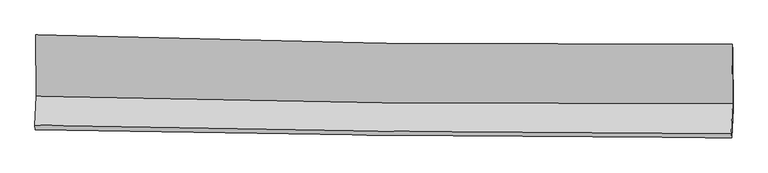
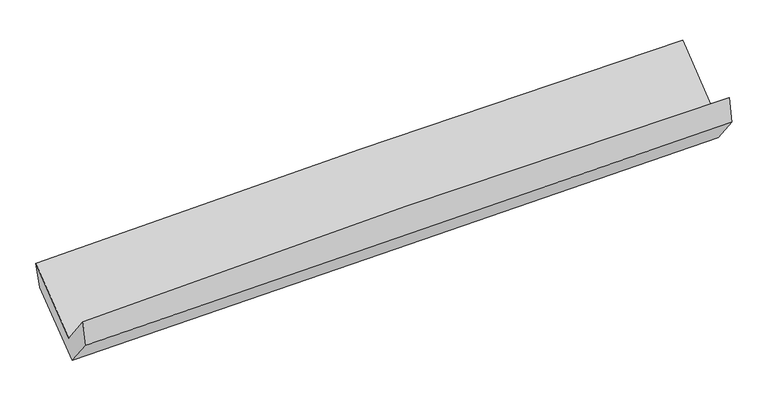
"""IFC4 building model written with IfcOpenShell, lengths in millimetres: proxy geometry."""

from ifc_helpers import new_model, si_unit, frame, origin, place, context, project, spatial, source, transform, mapped, element, save
from ifc_brep_helpers import plane_surface, spline_curve, spline_surface, advanced_brep


def generic_models_0dae5884(model_context):
    return source(origin(), model_context, "Body", "AdvancedBrep", [
        advanced_brep(
        [(-3029.8925563, -1148.1421905, 2158.9520962), (-3025.3381777, -1679.1367206, 1731.4609906), (3016.4916445, -1743.4858455, 1901.8355005), (3012.8685716, -1229.3978898, 2315.7444589), (-3037.10449, -1931.2554923, 2053.7106642), (3004.7901196, -2007.4736318, 2215.7293001), (-3031.9796502, -1971.8012108, 1840.9345881), (3010.1807027, -2039.3981974, 1989.5119002), (-3020.8377574, -1728.9501386, 1537.7666713), (3021.4594914, -1793.4279514, 1682.4500417), (-3025.0214248, -1204.5101242, 1948.1220275), (3018.101335, -1273.9923407, 2088.9183063)],
        [
            (0, 1),
            (1, 2, spline_curve(3, [(-3025.3381777, -1679.1367206, 1731.4609906), (-2019.305481825, -1707.227003356, 1793.054520719), (-1012.723859017, -1726.634048525, 1838.048783605), (1001.21976136, -1748.078283379, 1894.829823359), (2008.581412168, -1750.120946245, 1906.627063853), (3016.4916445, -1743.4858455, 1901.8355005)], [4, 2, 4], [0.0, 9.91978465990406, 19.83644227758947])),
            (2, 3),
            (3, 0, spline_curve(3, [(3012.8685716, -1229.3978898, 2315.7444589), (2004.848918207, -1236.139920542, 2320.445876199), (997.354963636, -1232.742293686, 2309.73504434), (-1016.899077228, -1205.663456571, 2257.480645009), (-2023.658832021, -1181.975850018, 2215.927355832), (-3029.8925563, -1148.1421905, 2158.9520962)], [4, 2, 4], [0.0, 9.91665761768541, 19.83644227758947])),
            (1, 4),
            (4, 5, spline_curve(3, [(-3037.10449, -1931.2554923, 2053.7106642), (-2030.890020049, -1953.330288035, 2111.538372535), (-1024.212123668, -1970.719460276, 2153.953478734), (989.753038615, -1996.122553348, 2207.949975189), (1997.040011957, -2004.139427424, 2219.54108072), (3004.7901196, -2007.4736318, 2215.7293001)], [4, 2, 4], [0.0, 9.91889068763266, 19.834654614856113])),
            (5, 2),
            (4, 6),
            (6, 7, spline_curve(3, [(-3031.9796502, -1971.8012108, 1840.9345881), (-2025.126377195, -1991.366337871, 1874.135352284), (-1018.106977305, -2006.782218042, 1903.118464175), (995.946578518, -2029.311931145, 1952.641576538), (2002.980629382, -2036.428380285, 1973.184235179), (3010.1807027, -2039.3981974, 1989.5119002)], [4, 2, 4], [0.0, 9.917661758443915, 19.832197143877504])),
            (7, 5),
            (6, 8),
            (8, 9, spline_curve(3, [(-3020.8377574, -1728.9501386, 1537.7666713), (-2013.818577442, -1744.872761013, 1566.420230517), (-1006.704825166, -1758.207662344, 1592.805500463), (1007.394317193, -1779.698635391, 1641.031860872), (2014.379648107, -1787.856338465, 1662.87438085), (3021.4594914, -1793.4279514, 1682.4500417)], [4, 2, 4], [0.0, 9.916991724730158, 19.830857287666642])),
            (9, 7),
            (8, 10),
            (10, 11, spline_curve(3, [(-3025.0214248, -1204.5101242, 1948.1220275), (-2017.855482772, -1219.780188992, 1977.291738563), (-1010.599547138, -1233.206028067, 2003.611017493), (1003.774762986, -1256.365604627, 2050.541313555), (2010.893080485, -1266.100504237, 2071.154127372), (3018.101335, -1273.9923407, 2088.9183063)], [4, 2, 4], [0.0, 9.917585104175053, 19.832043859503727])),
            (11, 9),
            (10, 0),
            (3, 11),
        ],
        [
            spline_surface(3, 3, [[(-3029.8925563, -1148.1421905, 2158.9520962), (-2023.658831981, -1181.975850104, 2215.927355887), (-1016.899077242, -1205.663456445, 2257.480644976), (997.35496365, -1232.742293812, 2309.735044373), (2004.848918211, -1236.139920575, 2320.445876207), (3012.8685716, -1229.3978898, 2315.7444589)], [(-3028.374430111, -1325.140367211, 2016.455060993), (-2022.207715314, -1357.059567878, 2074.969744194), (-1015.507337812, -1379.320320507, 2117.670024529), (998.643229488, -1404.520956981, 2171.433304022), (2006.093082882, -1407.466929192, 2182.50627208), (3014.076262578, -1400.76054172, 2177.774806106)], [(-3026.856303889, -1502.138543889, 1873.958025807), (-2020.756598613, -1532.14328562, 1934.012132523), (-1014.115598316, -1552.977184546, 1977.859404088), (999.931495391, -1576.299620126, 2033.131563675), (2007.337247519, -1578.793937748, 2044.566667935), (3015.283953522, -1572.12319358, 2039.805153294)], [(-3025.3381777, -1679.1367206, 1731.4609906), (-2019.305481946, -1707.227003394, 1793.05452083), (-1012.723858886, -1726.634048608, 1838.048783641), (1001.219761229, -1748.078283295, 1894.829823323), (2008.58141219, -1750.120946366, 1906.627063808), (3016.4916445, -1743.4858455, 1901.8355005)]], [4, 4], [4, 2, 4], [0.0, 2.182511023829231], [0.0, 9.91978465990406, 19.83644227758947]),
            spline_surface(3, 3, [[(-3025.3381777, -1679.1367206, 1731.4609906), (-2019.305481946, -1707.227003394, 1793.05452083), (-1012.723858886, -1726.634048608, 1838.048783641), (1001.219761229, -1748.078283295, 1894.829823323), (2008.58141219, -1750.120946366, 1906.627063808), (3016.4916445, -1743.4858455, 1901.8355005)], [(-3029.260281795, -1763.17631116, 1838.877548444), (-2023.166994628, -1789.26143163, 1899.215804699), (-1016.553280422, -1807.995852534, 1943.350348669), (997.397520319, -1830.759706601, 1999.20320726), (2004.734278726, -1834.793773376, 2010.931736149), (3012.59113618, -1831.481774241, 2006.466767035)], [(-3033.182385905, -1847.21590174, 1946.294106356), (-2027.028507324, -1871.295859885, 2005.377088636), (-1020.382701987, -1889.357656472, 2048.651913729), (993.57527938, -1913.44112992, 2103.576591228), (2000.887145322, -1919.466600463, 2115.236408484), (3008.69062792, -1919.477703059, 2111.098033565)], [(-3037.10449, -1931.2554923, 2053.7106642), (-2030.890020006, -1953.330288121, 2111.538372505), (-1024.212123523, -1970.719460398, 2153.953478758), (989.75303847, -1996.122553226, 2207.949975165), (1997.040011858, -2004.139427474, 2219.541080825), (3004.7901196, -2007.4736318, 2215.7293001)]], [4, 4], [4, 2, 4], [0.0, 1.310684954472316], [0.0, 9.91889068763266, 19.834654614856113]),
            spline_surface(3, 3, [[(-3037.10449, -1931.2554923, 2053.7106642), (-2030.890020006, -1953.330288121, 2111.538372505), (-1024.212123523, -1970.719460398, 2153.953478758), (989.75303847, -1996.122553226, 2207.949975165), (1997.040011858, -2004.139427474, 2219.541080825), (3004.7901196, -2007.4736318, 2215.7293001)], [(-3035.39621006, -1944.770731812, 1982.785305516), (-2028.968805726, -1966.008971435, 2032.404032488), (-1022.177074771, -1982.740379573, 2070.341807279), (991.817551783, -2007.185679232, 2122.847175566), (1999.02021773, -2014.902411743, 2137.422132261), (3006.586980631, -2018.115153688, 2140.323500134)], [(-3033.68793014, -1958.285971288, 1911.859946784), (-2027.047591465, -1978.687654713, 1953.269692424), (-1020.142025984, -1994.761298759, 1986.730135813), (993.882065131, -2018.248805248, 2037.744375979), (2001.000423609, -2025.665395947, 2055.303183694), (3008.383841669, -2028.756675512, 2064.917700166)], [(-3031.9796502, -1971.8012108, 1840.9345881), (-2025.126377185, -1991.366338027, 1874.135352408), (-1018.106977232, -2006.782217934, 1903.118464334), (995.946578444, -2029.311931253, 1952.641576379), (2002.980629481, -2036.428380217, 1973.184235129), (3010.1807027, -2039.3981974, 1989.5119002)]], [4, 4], [4, 2, 4], [0.0, 0.8382641693926294], [0.0, 9.917661758443915, 19.832197143877504]),
            spline_surface(3, 3, [[(-3031.9796502, -1971.8012108, 1840.9345881), (-2025.126377185, -1991.366338027, 1874.135352408), (-1018.106977232, -2006.782217934, 1903.118464334), (995.946578444, -2029.311931253, 1952.641576379), (2002.980629481, -2036.428380217, 1973.184235129), (3010.1807027, -2039.3981974, 1989.5119002)], [(-3028.265685925, -1890.850853382, 1739.878615827), (-2021.357110543, -1909.201812327, 1771.56364505), (-1014.306259902, -1923.924032757, 1799.680809751), (999.762491394, -1946.107499319, 1848.771671207), (2006.780302399, -1953.57103289, 1869.747616987), (3013.940298942, -1957.408115376, 1887.157947345)], [(-3024.551721675, -1809.900496018, 1638.822643573), (-2017.587843927, -1827.03728668, 1668.991937711), (-1010.505542585, -1841.065847521, 1696.243155112), (1003.578404332, -1862.903067325, 1744.901765978), (2010.57997529, -1870.713685635, 1766.310998912), (3017.699895158, -1875.418033424, 1784.803994555)], [(-3020.8377574, -1728.9501386, 1537.7666713), (-2013.818577285, -1744.87276098, 1566.420230353), (-1006.704825255, -1758.207662344, 1592.805500529), (1007.394317282, -1779.698635391, 1641.031860806), (2014.379648208, -1787.856338308, 1662.87438077), (3021.4594914, -1793.4279514, 1682.4500417)]], [4, 4], [4, 2, 4], [0.0, 1.3077143807008453], [0.0, 9.916991724730158, 19.830857287666642]),
            spline_surface(3, 3, [[(-3020.8377574, -1728.9501386, 1537.7666713), (-2013.818577285, -1744.87276098, 1566.420230353), (-1006.704825255, -1758.207662344, 1592.805500529), (1007.394317282, -1779.698635391, 1641.031860806), (2014.379648208, -1787.856338308, 1662.87438077), (3021.4594914, -1793.4279514, 1682.4500417)], [(-3022.232313223, -1554.136800463, 1674.551790032), (-2015.164212455, -1569.841903648, 1703.377399715), (-1008.003065861, -1583.207117607, 1729.740672834), (1006.187799168, -1605.254291739, 1777.535011732), (2013.217458985, -1613.937726922, 1798.967629694), (3020.34010594, -1620.282747844, 1817.939463257)], [(-3023.626868977, -1379.323462337, 1811.336908768), (-2016.509847557, -1394.811046328, 1840.334569081), (-1009.301306476, -1408.206572934, 1866.675845149), (1004.981281045, -1430.809948151, 1914.038162667), (2012.05526974, -1440.019115505, 1935.060878548), (3019.22072046, -1447.137544256, 1953.428884743)], [(-3025.0214248, -1204.5101242, 1948.1220275), (-2017.855482728, -1219.780188997, 1977.291738443), (-1010.599547083, -1233.206028196, 2003.611017455), (1003.774762931, -1256.365604498, 2050.541313593), (2010.893080516, -1266.100504119, 2071.154127471), (3018.101335, -1273.9923407, 2088.9183063)]], [4, 4], [4, 2, 4], [0.0, 2.1836574201544017], [0.0, 9.917585104175053, 19.832043859503727]),
            spline_surface(3, 3, [[(-3025.0214248, -1204.5101242, 1948.1220275), (-2017.855482728, -1219.780188997, 1977.291738443), (-1010.599547083, -1233.206028196, 2003.611017455), (1003.774762931, -1256.365604498, 2050.541313593), (2010.893080516, -1266.100504119, 2071.154127471), (3018.101335, -1273.9923407, 2088.9183063)], [(-3026.645135286, -1185.720812973, 2018.398717089), (-2019.789932465, -1207.178742705, 2056.83694428), (-1012.699390452, -1224.025170948, 2088.234226629), (1001.634829854, -1248.491167605, 2136.939223854), (2008.878359744, -1256.113642935, 2154.25137704), (3016.357080529, -1259.127523731, 2164.527023823)], [(-3028.268845814, -1166.931501727, 2088.675406611), (-2021.724382244, -1194.577296395, 2136.38215005), (-1014.799233873, -1214.844313694, 2172.857435802), (999.494896727, -1240.616730706, 2223.337134113), (2006.863638984, -1246.126781758, 2237.348626638), (3014.612826071, -1244.262706769, 2240.135741377)], [(-3029.8925563, -1148.1421905, 2158.9520962), (-2023.658831981, -1181.975850104, 2215.927355887), (-1016.899077242, -1205.663456445, 2257.480644976), (997.35496365, -1232.742293812, 2309.735044373), (2004.848918211, -1236.139920575, 2320.445876207), (3012.8685716, -1229.3978898, 2315.7444589)]], [4, 4], [4, 2, 4], [0.0, 0.846068975008574], [0.0, 9.91898249450771, 19.83483819966567]),
            plane_surface(frame((3013.9819775, -1681.1959761, 2032.364918), z_axis=(0.9995746734651407, -0.013688239969939172, 0.025750810736418682), x_axis=(-0.005091383154825147, 0.7875290545184302, 0.61625649376447))),
            plane_surface(frame((-3028.3623427, -1610.6326462, 1878.491173), z_axis=(-0.999567058403495, 0.012767712585596471, -0.026508135919289248), x_axis=(0.022314986138347374, -0.25822535680802305, -0.9658269547362066))),
        ],
        [
            (0, [[1, 2, 3, 4]]),
            (1, [[5, 6, 7, -2]]),
            (2, [[8, 9, 10, -6]]),
            (3, [[11, 12, 13, -9]]),
            (4, [[14, 15, 16, -12]]),
            (5, [[17, -4, 18, -15]]),
            (6, [[-16, -18, -3, -7, -10, -13]]),
            (7, [[-17, -14, -11, -8, -5, -1]]),
        ],
    ),
    ])


if __name__ == "__main__":
    model = new_model("IFC4")
    model_context = context("Model", 3, world=origin())
    ifc_project = project(units=[si_unit("LENGTHUNIT", "METRE", prefix="MILLI")], contexts=[model_context])
    site = spatial("IfcSite", under=ifc_project)
    building = spatial("IfcBuilding", under=site)
    placement = place(None, origin())
    generic_models_shape = generic_models_0dae5884(model_context)
    element("IfcBuildingElementProxy", 1, Name="Generic Models", at=placement, inside=building, context=model_context, shape_type="MappedRepresentation", body=[
        mapped(generic_models_shape, transform((0.0, 0.0, 0.0), x_axis=(1.0, 0.0, 0.0), y_axis=(0.0, 1.0, 0.0), z_axis=(0.0, 0.0, 1.0))),
    ])
    save(model, "model.ifc")
